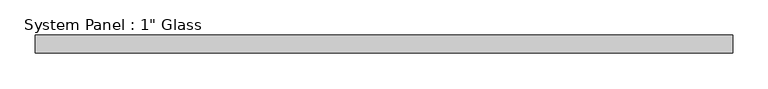
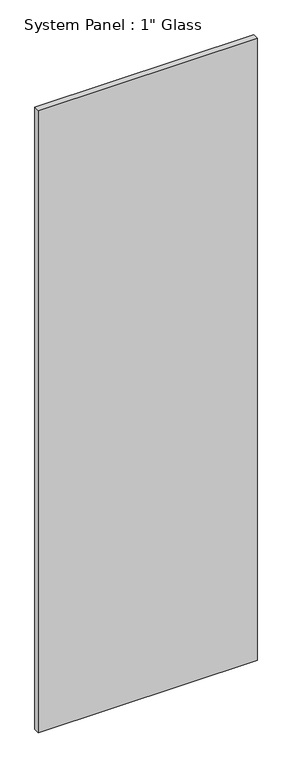
"""IFC4 building model written with IfcOpenShell, lengths in millimetres: plate geometry."""

from ifc_helpers import new_model, si_unit, origin, origin_with_axes, place, context, project, spatial, polyline, outline, extrude, source, transform, mapped, element, save


def plate_619c966d(model_context):
    return source(origin(), model_context, "Body", "SweptSolid", [
        extrude(outline(polyline([(492.125, -12.7), (-492.125, -12.7), (-492.125, 12.7), (492.125, 12.7), (492.125, -12.7)])), origin_with_axes(), (0.0, 0.0, 1.0), 2959.1),
    ])


if __name__ == "__main__":
    model = new_model("IFC4")
    model_context = context("Model", 3, world=origin())
    ifc_project = project(units=[si_unit("LENGTHUNIT", "METRE", prefix="MILLI")], contexts=[model_context])
    site = spatial("IfcSite", under=ifc_project)
    building = spatial("IfcBuilding", under=site)
    placement = place(None, origin())
    plate_shape = plate_619c966d(model_context)
    element("IfcPlate", 1, ObjectType="System Panel : 1\" Glass", at=placement, inside=building, context=model_context, shape_type="MappedRepresentation", body=[
        mapped(plate_shape, transform((0.0, 0.0, 0.0), x_axis=(1.0, 0.0, 0.0), y_axis=(0.0, 1.0, 0.0), z_axis=(0.0, 0.0, 1.0))),
    ])
    save(model, "model.ifc")
